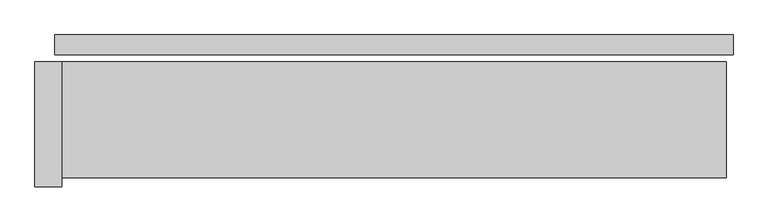
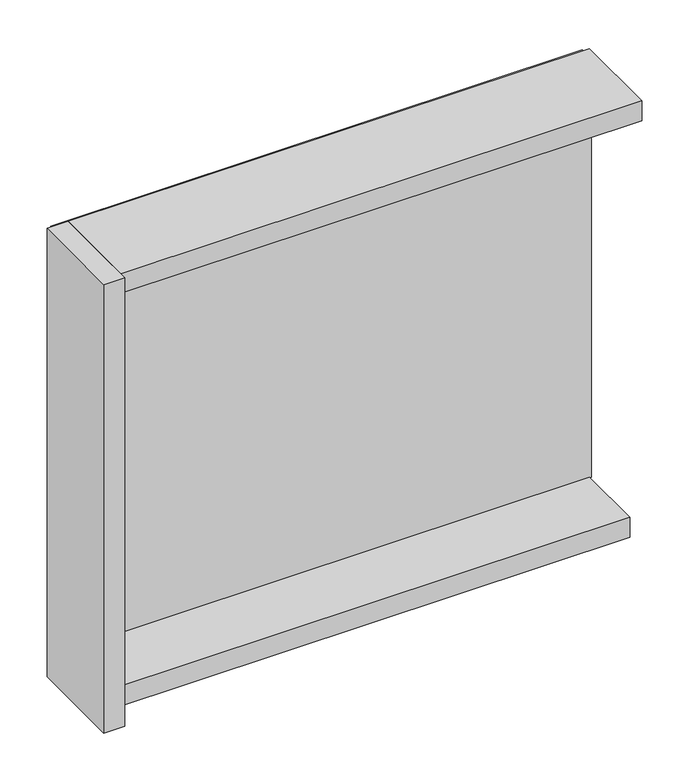
"""IFC4 building model written with IfcOpenShell, lengths in millimetres: plate geometry."""

import ifcopenshell
import ifcopenshell.guid

model = None  # the IFC model being written
_history = None  # IfcOwnerHistory: only IFC2X3 demands one
_inside = {}  # id of a spatial element -> (the spatial element, [elements in it])
_under = {}  # id of a project, library or spatial element -> (it, [spatial elements below it])
_declared = {}  # id of a project -> (the project, [libraries it declares])
_typed = {}  # id of a type object -> (the type object, [elements of that type])
_made_of = {}  # id of a material, layer set ... -> (it, [elements and type objects made of it])


def new_model(schema):
    """Start an empty IFC model of exactly this schema.

    Asked for "IFC4X3", IfcOpenShell would pick the latest addendum, in which some entities
    have other attributes; the version numbers below select the first issue.
    IFC2X3 requires an IfcOwnerHistory on every rooted entity: one is made here for all.
    """
    global model, _history
    if schema == "IFC4X3":
        model = ifcopenshell.file(schema_version=(4, 3, 0, 0))
    else:
        model = ifcopenshell.file(schema=schema)
    _inside.clear()
    _under.clear()
    _declared.clear()
    _typed.clear()
    _made_of.clear()
    _history = None
    if model.schema == "IFC2X3":
        org = make("IfcOrganization", Name="unknown")
        user = make(
            "IfcPersonAndOrganization",
            ThePerson=make("IfcPerson", FamilyName="unknown"),
            TheOrganization=org,
        )
        app = make(
            "IfcApplication",
            ApplicationDeveloper=org,
            Version="unknown",
            ApplicationFullName="unknown",
            ApplicationIdentifier="unknown",
        )
        _history = make(
            "IfcOwnerHistory",
            OwningUser=user,
            OwningApplication=app,
            ChangeAction="ADDED",
            CreationDate=0,
        )
    return model


def make(cls, **values):
    """One entity of the class cls with the attributes given. An attribute that is None is left unset."""
    return model.create_entity(
        cls, **{name: value for name, value in values.items() if value is not None}
    )


def rooted(cls, **values):
    """An entity with a GlobalId (a new one), such as an element, a storey or a relation."""
    return make(cls, GlobalId=ifcopenshell.guid.new(), OwnerHistory=_history, **values)


def si_unit(unit_type, name, prefix=None):
    """IfcSIUnit, for example si_unit("LENGTHUNIT", "METRE", prefix="MILLI")."""
    return make("IfcSIUnit", UnitType=unit_type, Prefix=prefix, Name=name)


def assignment(units):
    """IfcUnitAssignment: the units of a project."""
    return None if units is None else make("IfcUnitAssignment", Units=units)


def point(xyz):
    """IfcCartesianPoint."""
    return None if xyz is None else make("IfcCartesianPoint", Coordinates=xyz)


def direction(xyz):
    """IfcDirection."""
    return None if xyz is None else make("IfcDirection", DirectionRatios=xyz)


def frame(location, z_axis=None, x_axis=None):
    """IfcAxis2Placement3D, a coordinate frame: its origin and axes. An axis left out is left unset."""
    return make(
        "IfcAxis2Placement3D",
        Location=point(location),
        Axis=direction(z_axis),
        RefDirection=direction(x_axis),
    )


def origin():
    """The frame at (0, 0, 0) with its axes left unset."""
    return frame((0.0, 0.0, 0.0))


def origin_with_axes():
    """The frame at (0, 0, 0) with the z axis (0, 0, 1) and the x axis (1, 0, 0) written out."""
    return frame((0.0, 0.0, 0.0), z_axis=(0.0, 0.0, 1.0), x_axis=(1.0, 0.0, 0.0))


def place(relative_to, where):
    """IfcLocalPlacement: puts the frame where relative to a parent placement (None: the world)."""
    return make(
        "IfcLocalPlacement", PlacementRelTo=relative_to, RelativePlacement=where
    )


def context(
    kind, dimensions, precision=None, world=None, true_north=None, identifier=None
):
    """IfcGeometricRepresentationContext, for example the 3D "Model" context."""
    return make(
        "IfcGeometricRepresentationContext",
        ContextIdentifier=identifier,
        ContextType=kind,
        CoordinateSpaceDimension=dimensions,
        Precision=precision,
        WorldCoordinateSystem=world,
        TrueNorth=true_north,
    )


def project(units=None, contexts=None):
    """IfcProject with its units and contexts."""
    return rooted(
        "IfcProject",
        Name="project",
        RepresentationContexts=contexts,
        UnitsInContext=assignment(units),
    )


def spatial(cls, under=None, at=None, **own):
    """A site, building, storey or space (cls), placed at a placement, below another one or the project."""
    s = rooted(cls, ObjectPlacement=at, **own)
    if under is not None:
        _under.setdefault(under.id(), (under, []))[1].append(s)
    return s


def polyline(points):
    """IfcPolyline through the points."""
    return make("IfcPolyline", Points=[point(p) for p in points])


def outline(outer, holes=None, kind="AREA"):
    """IfcArbitraryClosedProfileDef: a profile drawn as a closed curve; with holes, ...WithVoids."""
    if holes is None:
        return make("IfcArbitraryClosedProfileDef", ProfileType=kind, OuterCurve=outer)
    return make(
        "IfcArbitraryProfileDefWithVoids",
        ProfileType=kind,
        OuterCurve=outer,
        InnerCurves=holes,
    )


def extrude(swept, where, along, depth):
    """IfcExtrudedAreaSolid: the profile swept, set in the frame where, extruded along a direction by depth."""
    return make(
        "IfcExtrudedAreaSolid",
        SweptArea=swept,
        Position=where,
        ExtrudedDirection=direction(along),
        Depth=depth,
    )


def shape(context_of_items, identifier, shape_type, items):
    """IfcShapeRepresentation: the items that make up one representation, for example the "Body"."""
    return make(
        "IfcShapeRepresentation",
        ContextOfItems=context_of_items,
        RepresentationIdentifier=identifier,
        RepresentationType=shape_type,
        Items=items,
    )


def source(mapping_origin, context_of_items, identifier, shape_type, items):
    """IfcRepresentationMap: a shape defined once, which mapped items show again and again."""
    return make(
        "IfcRepresentationMap",
        MappingOrigin=mapping_origin,
        MappedRepresentation=shape(context_of_items, identifier, shape_type, items),
    )


def transform(
    local_origin,
    x_axis=None,
    y_axis=None,
    z_axis=None,
    scale=None,
    scale2=None,
    scale3=None,
    uniform=True,
):
    """IfcCartesianTransformationOperator3D, or its non-uniform kind. x_axis, y_axis, z_axis: its Axis1, 2, 3."""
    if uniform:
        return make(
            "IfcCartesianTransformationOperator3D",
            Axis1=direction(x_axis),
            Axis2=direction(y_axis),
            LocalOrigin=point(local_origin),
            Scale=scale,
            Axis3=direction(z_axis),
        )
    return make(
        "IfcCartesianTransformationOperator3DnonUniform",
        Axis1=direction(x_axis),
        Axis2=direction(y_axis),
        LocalOrigin=point(local_origin),
        Scale=scale,
        Axis3=direction(z_axis),
        Scale2=scale2,
        Scale3=scale3,
    )


def mapped(mapping_source, mapping_target):
    """IfcMappedItem: shows the shape of a source again, moved by a transform."""
    return make(
        "IfcMappedItem", MappingSource=mapping_source, MappingTarget=mapping_target
    )


def made_of(thing, what):
    """Note that an element or type object is made of a material, layer set ...; save() writes the relation."""
    if what is not None:
        _made_of.setdefault(what.id(), (what, []))[1].append(thing)
    return thing


def element(
    cls,
    number,
    at=None,
    inside=None,
    cuts=None,
    type_object=None,
    material=None,
    context=None,
    identifier="Body",
    shape_type=None,
    held_by="IfcProductDefinitionShape",
    body=None,
    shapes=None,
    **own,
):
    """One element of the class cls, such as IfcWall. Its Tag is "e" and its number.

    at: its placement. inside: the storey or other place that contains it. cuts: it is an
    opening in that element (IfcRelVoidsElement). A single representation is given by context,
    identifier, shape_type and body (its items); several are given by shapes. held_by: the class
    of the entity that holds the representations. save() writes the other relations.
    """
    e = rooted(cls, Tag="e%d" % number, ObjectPlacement=at, **own)
    if body is not None:
        shapes = [shape(context, identifier, shape_type, body)]
    if shapes is not None:
        e.Representation = make(held_by, Representations=shapes)
    if inside is not None:
        _inside.setdefault(inside.id(), (inside, []))[1].append(e)
    if cuts is not None:
        rooted(
            "IfcRelVoidsElement", RelatingBuildingElement=cuts, RelatedOpeningElement=e
        )
    if type_object is not None:
        _typed.setdefault(type_object.id(), (type_object, []))[1].append(e)
    return made_of(e, material)


def aggregate(whole, parts):
    """IfcRelAggregates: a whole, such as a stair, and the parts it consists of."""
    return rooted("IfcRelAggregates", RelatingObject=whole, RelatedObjects=parts)


def save(model, path):
    """Write the relations noted so far, then the file.

    IfcRelAggregates (storeys below a building ...), IfcRelContainedInSpatialStructure (elements
    in a storey), IfcRelDefinesByType, IfcRelAssociatesMaterial and IfcRelDeclares: one each for
    every whole, place, type object, material and project.
    """
    for whole, parts in _under.values():
        aggregate(whole, parts)
    for where, things in _inside.values():
        rooted(
            "IfcRelContainedInSpatialStructure",
            RelatedElements=things,
            RelatingStructure=where,
        )
    for kind, things in _typed.values():
        rooted("IfcRelDefinesByType", RelatedObjects=things, RelatingType=kind)
    for what, things in _made_of.values():
        rooted("IfcRelAssociatesMaterial", RelatedObjects=things, RelatingMaterial=what)
    for by, libraries in _declared.values():
        rooted("IfcRelDeclares", RelatingContext=by, RelatedDefinitions=libraries)
    model.write(path)


def plate_b593208f(model_context):
    return source(origin(), model_context, "Body", "SweptSolid", [
        extrude(outline(polyline([(760.0, 0.0), (760.0, -44.0), (-760.0, -44.0), (-760.0, 0.0), (760.0, 0.0)])), origin_with_axes(), (0.0, 0.0, 1.0), 1264.465707),
        extrude(outline(polyline([(-745.0, -60.0), (-745.0, -340.0), (-805.0, -340.0), (-805.0, -60.0), (-745.0, -60.0)])), frame((0.0, 0.0, -45.0), z_axis=(0.0, 0.0, 1.0), x_axis=(1.0, 0.0, 0.0)), (0.0, 0.0, 1.0), 1354.465707),
        extrude(outline(polyline([(745.0, -260.0), (-745.0, -260.0), (-745.0, -60.0), (745.0, -60.0), (745.0, -260.0)])), frame((0.0, 0.0, -45.0), z_axis=(0.0, 0.0, 1.0), x_axis=(1.0, 0.0, 0.0)), (0.0, 0.0, 1.0), 60.0),
        extrude(outline(polyline([(745.0, -60.0), (745.0, -320.0), (-745.0, -320.0), (-745.0, -60.0), (745.0, -60.0)])), frame((0.0, 0.0, 1249.465707), z_axis=(0.0, 0.0, 1.0), x_axis=(1.0, 0.0, 0.0)), (0.0, 0.0, 1.0), 60.0),
    ])


if __name__ == "__main__":
    model = new_model("IFC4")
    model_context = context("Model", 3, world=origin())
    ifc_project = project(units=[si_unit("LENGTHUNIT", "METRE", prefix="MILLI")], contexts=[model_context])
    site = spatial("IfcSite", under=ifc_project)
    building = spatial("IfcBuilding", under=site)
    placement = place(None, origin())
    plate_shape = plate_b593208f(model_context)
    element("IfcPlate", 1, at=placement, inside=building, context=model_context, shape_type="MappedRepresentation", body=[
        mapped(plate_shape, transform((0.0, 0.0, 0.0), x_axis=(1.0, 0.0, 0.0), y_axis=(0.0, 1.0, 0.0), z_axis=(0.0, 0.0, 1.0))),
    ])
    save(model, "model.ifc")
